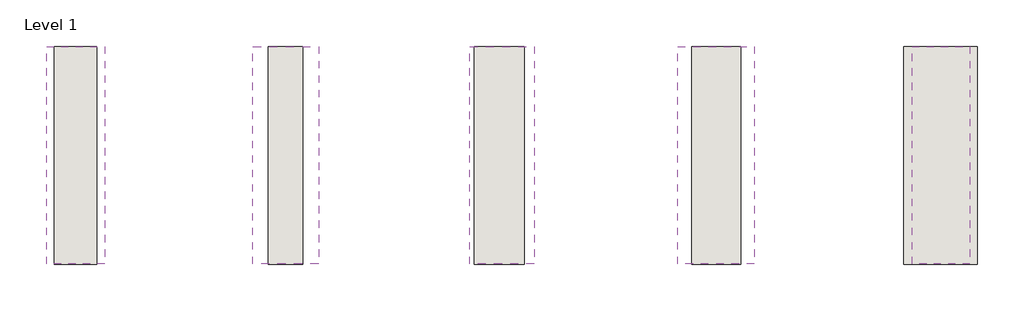
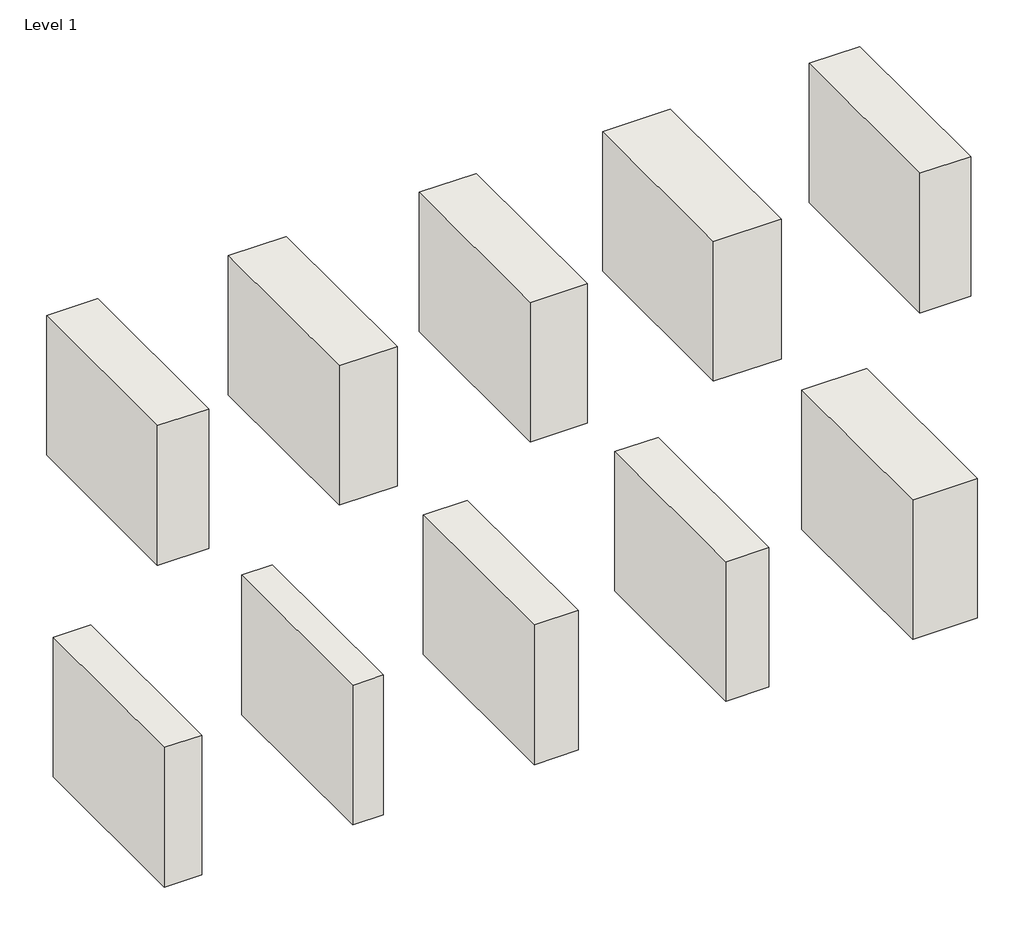
# One storey: 10 walls.
"""IFC4 building model written with IfcOpenShell, lengths in millimetres."""

from ifc_helpers import new_model, si_unit, frame, origin, place, context, project, spatial, polyline, outline, extrude, element, save

model = new_model("IFC4")

# Units and contexts
model_context = context("Model", 3, world=origin())
ifc_project = project(units=[si_unit("LENGTHUNIT", "METRE", prefix="MILLI")], contexts=[model_context])

# Site, building, storey
site = spatial("IfcSite", under=ifc_project)
building = spatial("IfcBuilding", under=site)
storey = spatial("IfcBuildingStorey", under=building, Name="Level 1", Elevation=376.7173768)

# Walls
placement = place(None, origin())
element("IfcWall", 1, at=placement, inside=storey, context=model_context, shape_type="SweptSolid", body=[
    extrude(outline(polyline([(-3799.6259119, 1196.6918117), (-3799.6259119, -203.3081883), (-4172.6259119, -203.3081883), (-4172.6259119, 1196.6918117), (-3799.6259119, 1196.6918117)])), frame((0.0, 0.0, 2392.4302449), z_axis=(0.0, 0.0, 1.0), x_axis=(1.0, 0.0, 0.0)), (0.0, 0.0, 1.0), 1076.0),
])
element("IfcWall", 2, at=placement, inside=storey, context=model_context, shape_type="SweptSolid", body=[
    extrude(outline(polyline([(-2424.6259119, 1196.6918117), (-2424.6259119, -203.3081883), (-2847.6259119, -203.3081883), (-2847.6259119, 1196.6918117), (-2424.6259119, 1196.6918117)])), frame((0.0, 0.0, 2392.4302449), z_axis=(0.0, 0.0, 1.0), x_axis=(1.0, 0.0, 0.0)), (0.0, 0.0, 1.0), 1076.0),
])
element("IfcWall", 3, at=placement, inside=storey, context=model_context, shape_type="SweptSolid", body=[
    extrude(outline(polyline([(-1038.1259119, 1196.6918117), (-1038.1259119, -203.3081883), (-1454.1259119, -203.3081883), (-1454.1259119, 1196.6918117), (-1038.1259119, 1196.6918117)])), frame((0.0, 0.0, 2392.4302449), z_axis=(0.0, 0.0, 1.0), x_axis=(1.0, 0.0, 0.0)), (0.0, 0.0, 1.0), 1076.0),
])
element("IfcWall", 4, at=placement, inside=storey, context=model_context, shape_type="SweptSolid", body=[
    extrude(outline(polyline([(1758.8740881, 1196.6918117), (1758.8740881, -203.3081883), (1388.8740881, -203.3081883), (1388.8740881, 1196.6918117), (1758.8740881, 1196.6918117)])), frame((0.0, 0.0, 2392.4302449), z_axis=(0.0, 0.0, 1.0), x_axis=(1.0, 0.0, 0.0)), (0.0, 0.0, 1.0), 1076.0),
])
element("IfcWall", 5, at=placement, inside=storey, context=model_context, shape_type="SweptSolid", body=[
    extrude(outline(polyline([(-3849.6259119, 1196.6918117), (-3849.6259119, -203.3081883), (-4122.6259119, -203.3081883), (-4122.6259119, 1196.6918117), (-3849.6259119, 1196.6918117)])), frame((0.0, 0.0, -107.5697551), z_axis=(0.0, 0.0, 1.0), x_axis=(1.0, 0.0, 0.0)), (0.0, 0.0, 1.0), 1076.0),
])
element("IfcWall", 6, at=placement, inside=storey, context=model_context, shape_type="SweptSolid", body=[
    extrude(outline(polyline([(-2526.1259119, 1196.6918117), (-2526.1259119, -203.3081883), (-2749.1259119, -203.3081883), (-2749.1259119, 1196.6918117), (-2526.1259119, 1196.6918117)])), frame((0.0, 0.0, -107.5697551), z_axis=(0.0, 0.0, 1.0), x_axis=(1.0, 0.0, 0.0)), (0.0, 0.0, 1.0), 1076.0),
])
element("IfcWall", 7, at=placement, inside=storey, context=model_context, shape_type="SweptSolid", body=[
    extrude(outline(polyline([(-1102.6259119, 1196.6918117), (-1102.6259119, -203.3081883), (-1425.6259119, -203.3081883), (-1425.6259119, 1196.6918117), (-1102.6259119, 1196.6918117)])), frame((0.0, 0.0, -107.5697551), z_axis=(0.0, 0.0, 1.0), x_axis=(1.0, 0.0, 0.0)), (0.0, 0.0, 1.0), 1076.0),
])
element("IfcWall", 8, at=placement, inside=storey, context=model_context, shape_type="SweptSolid", body=[
    extrude(outline(polyline([(287.7975537, 1196.6918117), (287.7975537, -203.3081883), (-28.2024463, -203.3081883), (-28.2024463, 1196.6918117), (287.7975537, 1196.6918117)])), frame((0.0, 0.0, -107.5697551), z_axis=(0.0, 0.0, 1.0), x_axis=(1.0, 0.0, 0.0)), (0.0, 0.0, 1.0), 1076.0),
])
element("IfcWall", 9, at=placement, inside=storey, context=model_context, shape_type="SweptSolid", body=[
    extrude(outline(polyline([(1808.2133839, 1196.6918117), (1808.2133839, -203.3081883), (1335.2133839, -203.3081883), (1335.2133839, 1196.6918117), (1808.2133839, 1196.6918117)])), frame((0.0, 0.0, -107.5697551), z_axis=(0.0, 0.0, 1.0), x_axis=(1.0, 0.0, 0.0)), (0.0, 0.0, 1.0), 1076.0),
])
element("IfcWall", 10, at=placement, inside=storey, context=model_context, shape_type="SweptSolid", body=[
    extrude(outline(polyline([(375.6366037, 1196.6918117), (375.6366037, -203.3081883), (-117.3633963, -203.3081883), (-117.3633963, 1196.6918117), (375.6366037, 1196.6918117)])), frame((0.0, 0.0, 2392.4302449), z_axis=(0.0, 0.0, 1.0), x_axis=(1.0, 0.0, 0.0)), (0.0, 0.0, 1.0), 1076.0),
])

save(model, "model.ifc")
